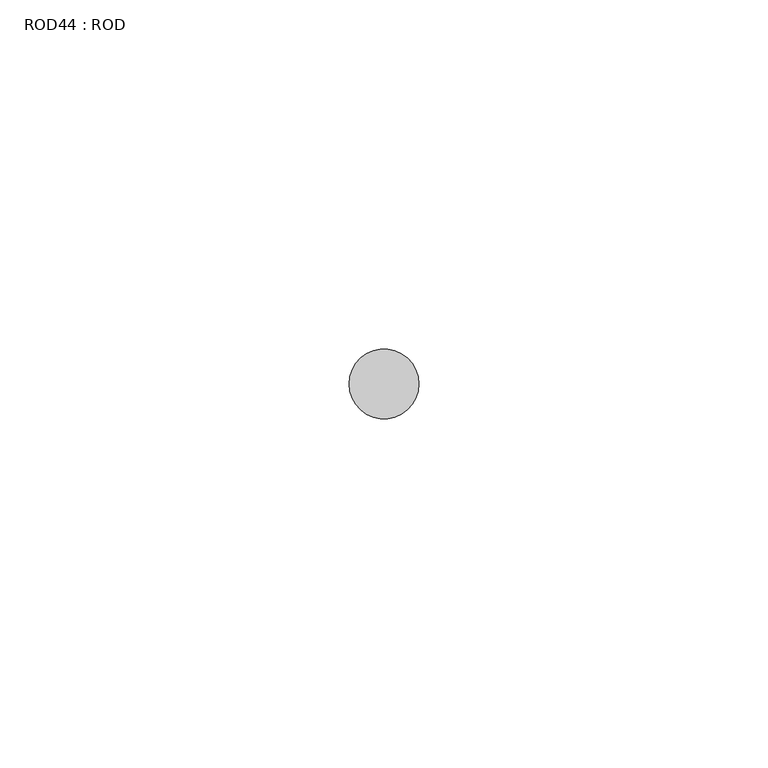
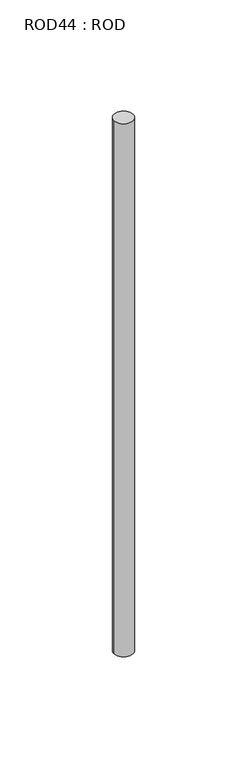
"""IFC4 building model written with IfcOpenShell, lengths in millimetres: proxy geometry, ROD44 : ROD."""

from ifc_helpers import new_model, si_unit, point, frame, frame_2d, origin, place, context, project, spatial, circle_curve, trimmed, segment, composite_curve, outline, extrude, source, transform, mapped, element, save


def rod44_rod_74eae934(model_context):
    return source(origin(), model_context, "Body", "SweptSolid", [
        extrude(outline(composite_curve([segment(trimmed(circle_curve(frame_2d((2479.7673324, -1114.6300853)), 5.0), [point((2474.7673324, -1114.6300853))], [point((2484.7673324, -1114.6300853))], False, "CARTESIAN"), True, "CONTINUOUS"), segment(trimmed(circle_curve(frame_2d((2479.7673324, -1114.6300853)), 5.0), [point((2484.7673324, -1114.6300853))], [point((2474.7673324, -1114.6300853))], False, "CARTESIAN"), True, "CONTINUOUS")], self_intersect=False)), frame((0.0, 0.0, -208.6608845), z_axis=(0.0, 0.0, 1.0), x_axis=(1.0, 0.0, 0.0)), (0.0, 0.0, 1.0), 298.9028972),
    ])


if __name__ == "__main__":
    model = new_model("IFC4")
    model_context = context("Model", 3, world=origin())
    ifc_project = project(units=[si_unit("LENGTHUNIT", "METRE", prefix="MILLI")], contexts=[model_context])
    site = spatial("IfcSite", under=ifc_project)
    building = spatial("IfcBuilding", under=site)
    placement = place(None, origin())
    rod44_rod_shape = rod44_rod_74eae934(model_context)
    element("IfcBuildingElementProxy", 1, Name="ROD44 : ROD", ObjectType="ROD44 : ROD", at=placement, inside=building, context=model_context, shape_type="MappedRepresentation", body=[
        mapped(rod44_rod_shape, transform((0.0, 0.0, 0.0), x_axis=(1.0, 0.0, 0.0), y_axis=(0.0, 1.0, 0.0), z_axis=(0.0, 0.0, 1.0))),
    ])
    save(model, "model.ifc")
